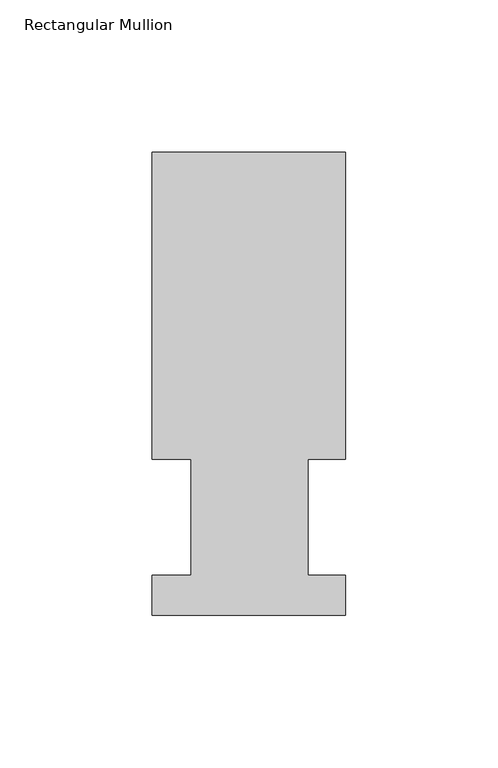
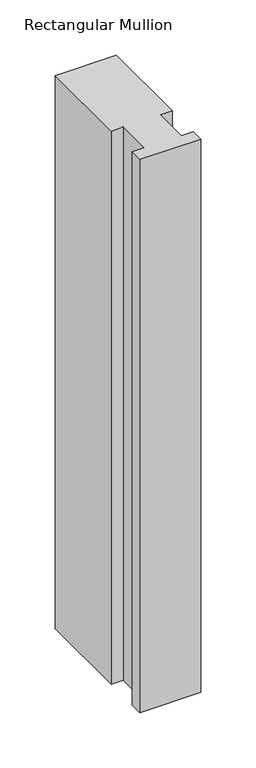
"""IFC4 building model written with IfcOpenShell, lengths in millimetres: member geometry, Rectangular Mullion."""

from ifc_helpers import new_model, si_unit, frame, origin, place, context, project, spatial, polyline, outline, extrude, source, transform, mapped, element, save


def rectangular_mullion_c1b80d32(model_context):
    return source(origin(), model_context, "Body", "SweptSolid", [
        extrude(outline(polyline([(-63.5, 151.9816937), (0.0, 151.9816937), (0.0, 51.2960938), (-12.3418395, 51.2960938), (-12.3418395, 13.1960937), (0.0, 13.1960937), (0.0, 0.0134937), (-63.5, 0.0134937), (-63.5, 13.1960937), (-50.8, 13.1960937), (-50.8, 51.2960938), (-63.5, 51.2960938), (-63.5, 151.9816937)])), frame((0.0, 0.0, -609.6), z_axis=(0.0, 0.0, 1.0), x_axis=(1.0, 0.0, 0.0)), (0.0, 0.0, 1.0), 609.6),
    ])


if __name__ == "__main__":
    model = new_model("IFC4")
    model_context = context("Model", 3, world=origin())
    ifc_project = project(units=[si_unit("LENGTHUNIT", "METRE", prefix="MILLI")], contexts=[model_context])
    site = spatial("IfcSite", under=ifc_project)
    building = spatial("IfcBuilding", under=site)
    placement = place(None, origin())
    rectangular_mullion_shape = rectangular_mullion_c1b80d32(model_context)
    element("IfcMember", 1, ObjectType="Rectangular Mullion", at=placement, inside=building, context=model_context, shape_type="MappedRepresentation", body=[
        mapped(rectangular_mullion_shape, transform((0.0, 0.0, 0.0), x_axis=(1.0, 0.0, 0.0), y_axis=(0.0, 1.0, 0.0), z_axis=(0.0, 0.0, 1.0))),
    ])
    save(model, "model.ifc")
